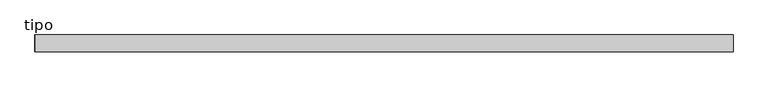
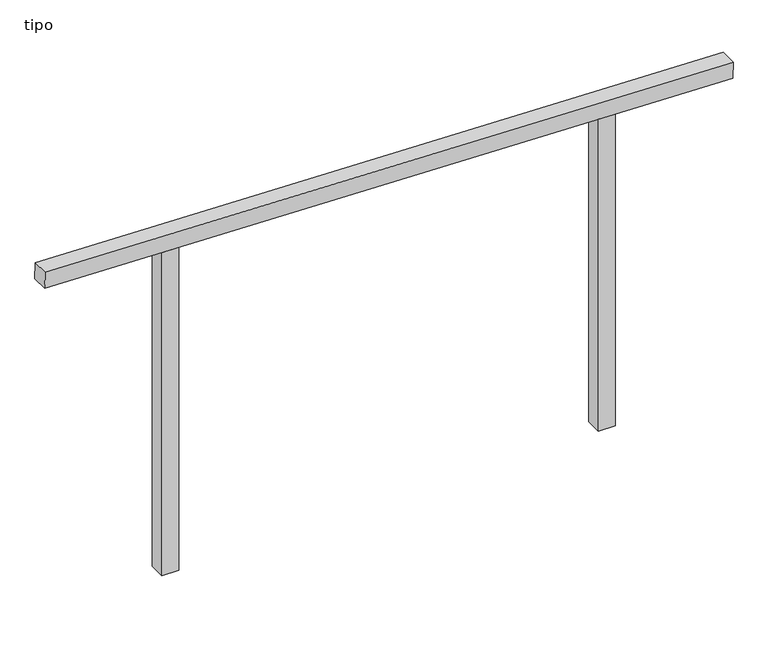
"""IFC4 building model written with IfcOpenShell, lengths in millimetres: proxy geometry, tipo."""

import ifcopenshell
import ifcopenshell.guid

model = None  # the IFC model being written
_history = None  # IfcOwnerHistory: only IFC2X3 demands one
_inside = {}  # id of a spatial element -> (the spatial element, [elements in it])
_under = {}  # id of a project, library or spatial element -> (it, [spatial elements below it])
_declared = {}  # id of a project -> (the project, [libraries it declares])
_typed = {}  # id of a type object -> (the type object, [elements of that type])
_made_of = {}  # id of a material, layer set ... -> (it, [elements and type objects made of it])


def new_model(schema):
    """Start an empty IFC model of exactly this schema.

    Asked for "IFC4X3", IfcOpenShell would pick the latest addendum, in which some entities
    have other attributes; the version numbers below select the first issue.
    IFC2X3 requires an IfcOwnerHistory on every rooted entity: one is made here for all.
    """
    global model, _history
    if schema == "IFC4X3":
        model = ifcopenshell.file(schema_version=(4, 3, 0, 0))
    else:
        model = ifcopenshell.file(schema=schema)
    _inside.clear()
    _under.clear()
    _declared.clear()
    _typed.clear()
    _made_of.clear()
    _history = None
    if model.schema == "IFC2X3":
        org = make("IfcOrganization", Name="unknown")
        user = make(
            "IfcPersonAndOrganization",
            ThePerson=make("IfcPerson", FamilyName="unknown"),
            TheOrganization=org,
        )
        app = make(
            "IfcApplication",
            ApplicationDeveloper=org,
            Version="unknown",
            ApplicationFullName="unknown",
            ApplicationIdentifier="unknown",
        )
        _history = make(
            "IfcOwnerHistory",
            OwningUser=user,
            OwningApplication=app,
            ChangeAction="ADDED",
            CreationDate=0,
        )
    return model


def make(cls, **values):
    """One entity of the class cls with the attributes given. An attribute that is None is left unset."""
    return model.create_entity(
        cls, **{name: value for name, value in values.items() if value is not None}
    )


def rooted(cls, **values):
    """An entity with a GlobalId (a new one), such as an element, a storey or a relation."""
    return make(cls, GlobalId=ifcopenshell.guid.new(), OwnerHistory=_history, **values)


def si_unit(unit_type, name, prefix=None):
    """IfcSIUnit, for example si_unit("LENGTHUNIT", "METRE", prefix="MILLI")."""
    return make("IfcSIUnit", UnitType=unit_type, Prefix=prefix, Name=name)


def assignment(units):
    """IfcUnitAssignment: the units of a project."""
    return None if units is None else make("IfcUnitAssignment", Units=units)


def point(xyz):
    """IfcCartesianPoint."""
    return None if xyz is None else make("IfcCartesianPoint", Coordinates=xyz)


def direction(xyz):
    """IfcDirection."""
    return None if xyz is None else make("IfcDirection", DirectionRatios=xyz)


def frame(location, z_axis=None, x_axis=None):
    """IfcAxis2Placement3D, a coordinate frame: its origin and axes. An axis left out is left unset."""
    return make(
        "IfcAxis2Placement3D",
        Location=point(location),
        Axis=direction(z_axis),
        RefDirection=direction(x_axis),
    )


def origin():
    """The frame at (0, 0, 0) with its axes left unset."""
    return frame((0.0, 0.0, 0.0))


def place(relative_to, where):
    """IfcLocalPlacement: puts the frame where relative to a parent placement (None: the world)."""
    return make(
        "IfcLocalPlacement", PlacementRelTo=relative_to, RelativePlacement=where
    )


def context(
    kind, dimensions, precision=None, world=None, true_north=None, identifier=None
):
    """IfcGeometricRepresentationContext, for example the 3D "Model" context."""
    return make(
        "IfcGeometricRepresentationContext",
        ContextIdentifier=identifier,
        ContextType=kind,
        CoordinateSpaceDimension=dimensions,
        Precision=precision,
        WorldCoordinateSystem=world,
        TrueNorth=true_north,
    )


def project(units=None, contexts=None):
    """IfcProject with its units and contexts."""
    return rooted(
        "IfcProject",
        Name="project",
        RepresentationContexts=contexts,
        UnitsInContext=assignment(units),
    )


def spatial(cls, under=None, at=None, **own):
    """A site, building, storey or space (cls), placed at a placement, below another one or the project."""
    s = rooted(cls, ObjectPlacement=at, **own)
    if under is not None:
        _under.setdefault(under.id(), (under, []))[1].append(s)
    return s


def polyline(points):
    """IfcPolyline through the points."""
    return make("IfcPolyline", Points=[point(p) for p in points])


def outline(outer, holes=None, kind="AREA"):
    """IfcArbitraryClosedProfileDef: a profile drawn as a closed curve; with holes, ...WithVoids."""
    if holes is None:
        return make("IfcArbitraryClosedProfileDef", ProfileType=kind, OuterCurve=outer)
    return make(
        "IfcArbitraryProfileDefWithVoids",
        ProfileType=kind,
        OuterCurve=outer,
        InnerCurves=holes,
    )


def extrude(swept, where, along, depth):
    """IfcExtrudedAreaSolid: the profile swept, set in the frame where, extruded along a direction by depth."""
    return make(
        "IfcExtrudedAreaSolid",
        SweptArea=swept,
        Position=where,
        ExtrudedDirection=direction(along),
        Depth=depth,
    )


def shape(context_of_items, identifier, shape_type, items):
    """IfcShapeRepresentation: the items that make up one representation, for example the "Body"."""
    return make(
        "IfcShapeRepresentation",
        ContextOfItems=context_of_items,
        RepresentationIdentifier=identifier,
        RepresentationType=shape_type,
        Items=items,
    )


def source(mapping_origin, context_of_items, identifier, shape_type, items):
    """IfcRepresentationMap: a shape defined once, which mapped items show again and again."""
    return make(
        "IfcRepresentationMap",
        MappingOrigin=mapping_origin,
        MappedRepresentation=shape(context_of_items, identifier, shape_type, items),
    )


def transform(
    local_origin,
    x_axis=None,
    y_axis=None,
    z_axis=None,
    scale=None,
    scale2=None,
    scale3=None,
    uniform=True,
):
    """IfcCartesianTransformationOperator3D, or its non-uniform kind. x_axis, y_axis, z_axis: its Axis1, 2, 3."""
    if uniform:
        return make(
            "IfcCartesianTransformationOperator3D",
            Axis1=direction(x_axis),
            Axis2=direction(y_axis),
            LocalOrigin=point(local_origin),
            Scale=scale,
            Axis3=direction(z_axis),
        )
    return make(
        "IfcCartesianTransformationOperator3DnonUniform",
        Axis1=direction(x_axis),
        Axis2=direction(y_axis),
        LocalOrigin=point(local_origin),
        Scale=scale,
        Axis3=direction(z_axis),
        Scale2=scale2,
        Scale3=scale3,
    )


def mapped(mapping_source, mapping_target):
    """IfcMappedItem: shows the shape of a source again, moved by a transform."""
    return make(
        "IfcMappedItem", MappingSource=mapping_source, MappingTarget=mapping_target
    )


def made_of(thing, what):
    """Note that an element or type object is made of a material, layer set ...; save() writes the relation."""
    if what is not None:
        _made_of.setdefault(what.id(), (what, []))[1].append(thing)
    return thing


def element(
    cls,
    number,
    at=None,
    inside=None,
    cuts=None,
    type_object=None,
    material=None,
    context=None,
    identifier="Body",
    shape_type=None,
    held_by="IfcProductDefinitionShape",
    body=None,
    shapes=None,
    **own,
):
    """One element of the class cls, such as IfcWall. Its Tag is "e" and its number.

    at: its placement. inside: the storey or other place that contains it. cuts: it is an
    opening in that element (IfcRelVoidsElement). A single representation is given by context,
    identifier, shape_type and body (its items); several are given by shapes. held_by: the class
    of the entity that holds the representations. save() writes the other relations.
    """
    e = rooted(cls, Tag="e%d" % number, ObjectPlacement=at, **own)
    if body is not None:
        shapes = [shape(context, identifier, shape_type, body)]
    if shapes is not None:
        e.Representation = make(held_by, Representations=shapes)
    if inside is not None:
        _inside.setdefault(inside.id(), (inside, []))[1].append(e)
    if cuts is not None:
        rooted(
            "IfcRelVoidsElement", RelatingBuildingElement=cuts, RelatedOpeningElement=e
        )
    if type_object is not None:
        _typed.setdefault(type_object.id(), (type_object, []))[1].append(e)
    return made_of(e, material)


def aggregate(whole, parts):
    """IfcRelAggregates: a whole, such as a stair, and the parts it consists of."""
    return rooted("IfcRelAggregates", RelatingObject=whole, RelatedObjects=parts)


def save(model, path):
    """Write the relations noted so far, then the file.

    IfcRelAggregates (storeys below a building ...), IfcRelContainedInSpatialStructure (elements
    in a storey), IfcRelDefinesByType, IfcRelAssociatesMaterial and IfcRelDeclares: one each for
    every whole, place, type object, material and project.
    """
    for whole, parts in _under.values():
        aggregate(whole, parts)
    for where, things in _inside.values():
        rooted(
            "IfcRelContainedInSpatialStructure",
            RelatedElements=things,
            RelatingStructure=where,
        )
    for kind, things in _typed.values():
        rooted("IfcRelDefinesByType", RelatedObjects=things, RelatingType=kind)
    for what, things in _made_of.values():
        rooted("IfcRelAssociatesMaterial", RelatedObjects=things, RelatingMaterial=what)
    for by, libraries in _declared.values():
        rooted("IfcRelDeclares", RelatingContext=by, RelatedDefinitions=libraries)
    model.write(path)


def tipo_8f0eae61(model_context):
    return source(origin(), model_context, "Body", "SweptSolid", [
        extrude(outline(polyline([(0.0, -4099.9999999), (0.0, 0.0), (100.0, 0.0), (100.0, -4099.9999999), (0.0, -4099.9999999)])), frame((-2049.2576252, -100.0, 2055.1650746), z_axis=(0.026909792483549883, 0.0, 0.9996378659637161), x_axis=(0.0, 1.0, 0.0)), (0.0, 0.0, 1.0), 100.0),
        extrude(outline(polyline([(1963.6586197, 1350.0), (1966.3505738, 1250.0), (0.0, 1250.0), (0.0, 1350.0), (1963.6586197, 1350.0)])), frame((0.0, -100.0, 0.0), z_axis=(0.0, 1.0, 0.0), x_axis=(0.0, 0.0, 1.0)), (0.0, 0.0, 1.0), 100.0),
        extrude(outline(polyline([(2036.3413803, -1350.0), (0.0, -1350.0), (0.0, -1250.0), (2033.6494262, -1250.0), (2036.3413803, -1350.0)])), frame((0.0, -100.0, 0.0), z_axis=(0.0, 1.0, 0.0), x_axis=(0.0, 0.0, 1.0)), (0.0, 0.0, 1.0), 100.0),
    ])


if __name__ == "__main__":
    model = new_model("IFC4")
    model_context = context("Model", 3, world=origin())
    ifc_project = project(units=[si_unit("LENGTHUNIT", "METRE", prefix="MILLI")], contexts=[model_context])
    site = spatial("IfcSite", under=ifc_project)
    building = spatial("IfcBuilding", under=site)
    placement = place(None, origin())
    tipo_shape = tipo_8f0eae61(model_context)
    element("IfcBuildingElementProxy", 1, Name="tipo", ObjectType="tipo", at=placement, inside=building, context=model_context, shape_type="MappedRepresentation", body=[
        mapped(tipo_shape, transform((0.0, 0.0, 0.0), x_axis=(1.0, 0.0, 0.0), y_axis=(0.0, 1.0, 0.0), z_axis=(0.0, 0.0, 1.0))),
    ])
    save(model, "model.ifc")
